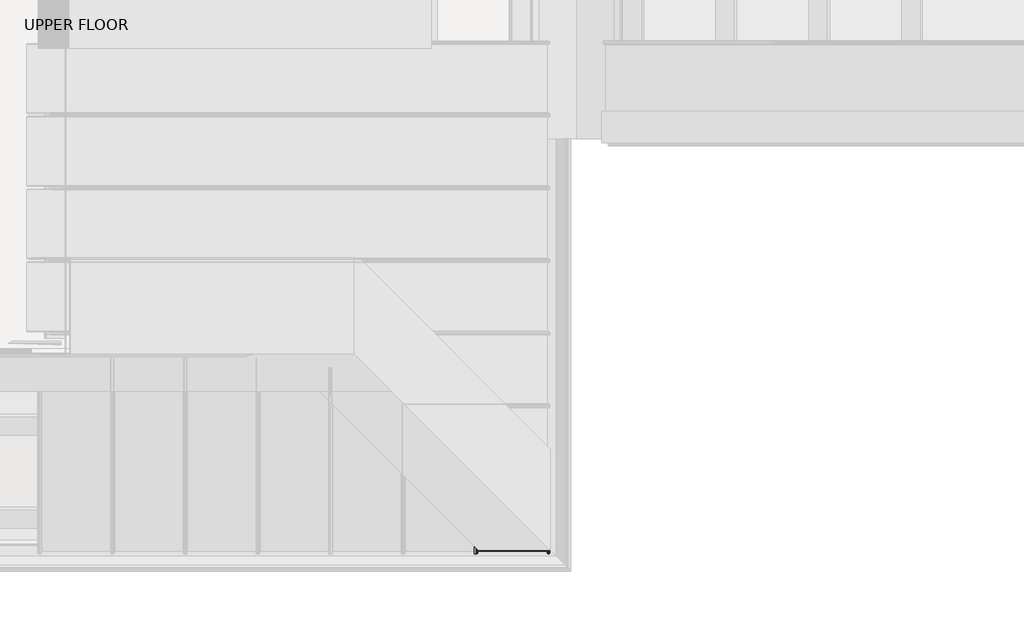
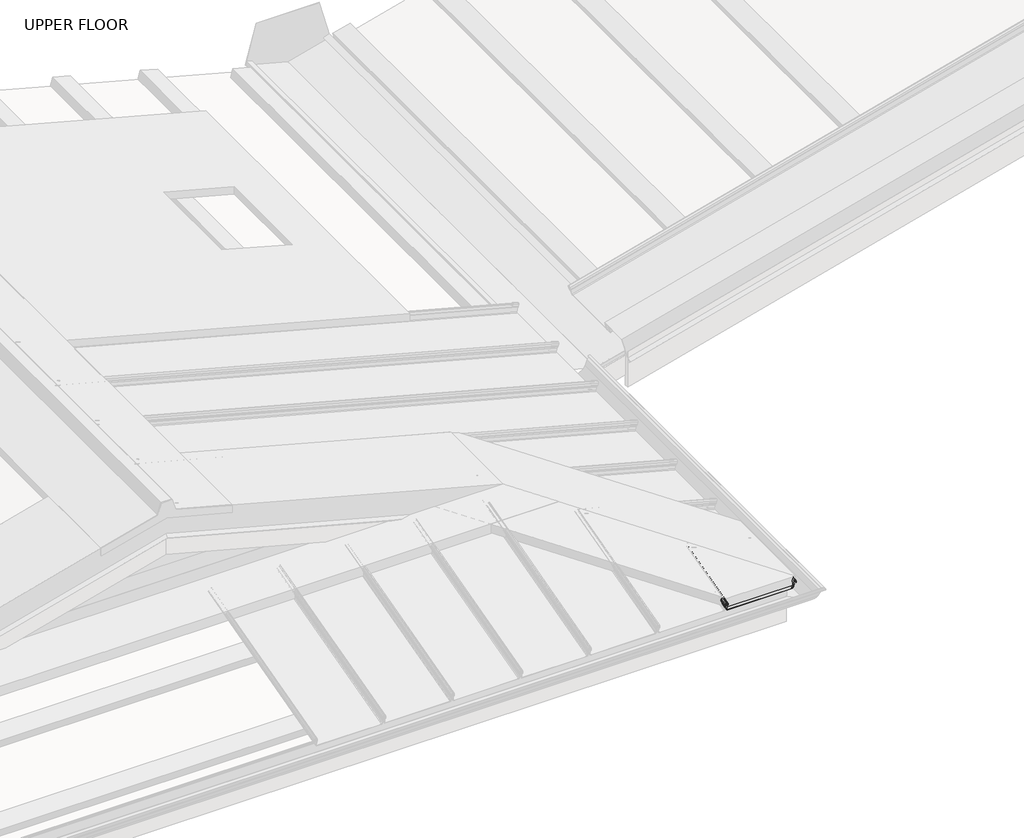
# One storey, part 9 of 15: 1 beam.
"""IFC4 building model written with IfcOpenShell, lengths in millimetres."""

from ifc_helpers import new_model, si_unit, frame, origin, place, context, project, spatial, polyline, circle_curve, ellipse_curve, element, save
from ifc_brep_helpers import plane_surface, cylinder_surface, revolved_surface, advanced_brep

model = new_model("IFC4")

# Units and contexts
model_context = context("Model", 3, world=origin())
ifc_project = project(units=[si_unit("LENGTHUNIT", "METRE", prefix="MILLI")], contexts=[model_context])

# Site, building, storey
site = spatial("IfcSite", under=ifc_project)
building = spatial("IfcBuilding", under=site)
storey = spatial("IfcBuildingStorey", under=building, Name="UPPER FLOOR", Elevation=2700.0)

# Beam
placement = place(None, origin())
element("IfcBeam", 1, at=placement, inside=storey, context=model_context, shape_type="AdvancedBrep", body=[
    advanced_brep(
    [(4588.3493108, -4676.095666, 3282.2551895), (4583.8152854, -4677.0728577, 3285.9021185), (4579.3084709, -4676.1309313, 3282.3868016), (4576.8614715, -4673.1910221, 3271.414911), (4578.5201309, -4672.5557768, 3269.0441433), (4579.6892957, -4672.112927, 3267.3914054), (4578.1987741, -4666.0540531, 3244.7793802), (4574.5043224, -4665.157273, 3241.4325512), (4254.2553696, -4665.157273, 3241.4325512), (4250.5625922, -4666.0550971, 3244.7832762), (4249.093089, -4672.1332034, 3267.4670779), (4249.7210166, -4672.3747897, 3268.3686904), (4251.9326545, -4673.168275, 3271.3300177), (4251.0491157, -4676.0609668, 3282.1256906), (4243.8194638, -4677.7900541, 3288.5787319), (4236.5898118, -4676.0609668, 3282.1256906), (4235.706273, -4673.168275, 3271.3300177), (4237.9179109, -4672.3747897, 3268.3686904), (4238.5458385, -4672.1332034, 3267.4670779), (4238.1541241, -4670.5130082, 3261.420427), (4239.15608, -4670.5130082, 3261.420427), (4239.5634887, -4672.1981177, 3267.7093414), (4238.1580728, -4672.6260652, 3269.3064631), (4236.7036522, -4673.1478782, 3271.2538956), (4237.5933426, -4676.0607105, 3282.1247338), (4243.8194638, -4677.531235, 3287.6128061), (4250.0523198, -4676.0402621, 3282.0484196), (4250.9399185, -4673.1272018, 3271.1767303), (4249.4808547, -4672.6260652, 3269.3064631), (4248.0754388, -4672.1981177, 3267.7093414), (4249.5645443, -4666.0389332, 3244.7229517), (4254.2553696, -4664.898454, 3240.4666254), (4574.5040773, -4664.898454, 3240.4666254), (4579.1967532, -4666.0376071, 3244.7180029), (4580.6874877, -4672.0973465, 3267.3332583), (4578.7839069, -4672.805634, 3269.9766229), (4577.8472636, -4673.1463822, 3271.2483128), (4580.2629487, -4676.0462771, 3282.0708676), (4583.8257944, -4676.8142937, 3284.9371448), (4587.2997886, -4676.1424796, 3282.4299005), (4589.3270395, -4673.2675201, 3271.7004056), (4590.3268994, -4673.315157, 3271.8781888), (4590.3268994, -4658.4752468, 3275.8545308), (4588.3493108, -4656.4976582, 3287.5064598), (4589.3270395, -4657.4753869, 3275.9318949), (4587.2997886, -4655.448136, 3287.9749332), (4583.8257944, -4651.9741418, 3291.5930435), (4580.2629487, -4648.4112961, 3289.4756384), (4577.8472636, -4645.995611, 3278.52334), (4578.7839069, -4646.9322543, 3276.9093741), (4580.6874877, -4648.8358351, 3273.5661614), (4579.1967532, -4647.3451006, 3249.726645), (4574.5040773, -4642.6524247, 3246.427431), (4254.2553696, -4322.403717, 3332.2378136), (4249.5645443, -4317.7128917, 3338.0566332), (4248.0754388, -4316.2237862, 3363.092376), (4249.4808547, -4317.6292021, 3364.4275859), (4250.9399185, -4319.088266, 3366.0411773), (4250.0523198, -4318.2006672, 3377.9312501), (4243.8194638, -4311.9678112, 3385.5652303), (4237.5933426, -4305.74169, 3381.3514162), (4236.7036522, -4304.8519996, 3369.9384788), (4238.1580728, -4306.3064202, 3367.4615162), (4239.5634887, -4307.7118362, 3365.3731462), (4239.15608, -4307.3044274, 3358.7418729), (4238.1541241, -4306.3024715, 3359.0103462), (4238.5458385, -4306.694186, 3365.3861675), (4237.9179109, -4306.0662583, 3366.5207656), (4235.7051439, -4303.8546433, 3370.2873986), (4236.5898118, -4304.7381592, 3381.6213371), (4243.8194638, -4311.9678112, 3386.6005065), (4251.0491157, -4319.1974632, 3377.7469782), (4251.9326545, -4320.0810019, 3365.9394674), (4249.7210166, -4317.8693641, 3363.3581329), (4249.093089, -4317.2414364, 3362.5600403), (4250.5625922, -4318.7109396, 3337.8538626), (4254.2553696, -4322.403717, 3333.2730897), (4574.5043224, -4642.6526698, 3247.4626415), (4578.1987741, -4646.3471215, 3250.0598367), (4579.6892957, -4647.8376431, 3273.8959481), (4578.5201309, -4646.6684783, 3275.980624), (4576.8614715, -4645.0098189, 3278.9660417), (4579.3084709, -4647.4568184, 3290.070007), (4583.8152854, -4651.9636329, 3292.630115)],
    [
        (0, 1, circle_curve(frame((4583.8152854, -4675.8796489, 3281.4490028), z_axis=(0.0, -0.9659258262890683, -0.2588190451025206), x_axis=(-1.0000000000000002, 0.0, 0.0)), 4.6102046)),
        (1, 2, circle_curve(frame((4583.8152854, -4675.8796489, 3281.4490028), z_axis=(0.0, -0.9659258262890683, -0.2588190451025206), x_axis=(-1.0000000000000002, 0.0, 0.0)), 4.6102046)),
        (2, 3),
        (3, 4, circle_curve(frame((4579.2456639, -4673.1453565, 3271.2444845), z_axis=(0.0, -0.9659258262890683, -0.2588190451025206), x_axis=(-1.0000000000000002, 0.0, 0.0)), 2.3907121)),
        (4, 5, circle_curve(frame((4578.0092332, -4672.1406133, 3267.4947319), z_axis=(0.0, 0.9659258262890683, 0.2588190451025206), x_axis=(-1.0000000000000002, 0.0, 0.0)), 1.6834645)),
        (5, 6),
        (6, 7, circle_curve(frame((4574.5062513, -4666.1149033, 3245.0064763), z_axis=(0.0, 0.9659258262890683, 0.2588190451025206), x_axis=(-1.0000000000000002, 0.0, 0.0)), 3.7)),
        (7, 8),
        (8, 9, circle_curve(frame((4254.2553696, -4666.1149035, 3245.0064768), z_axis=(0.0, 0.9659258262890683, 0.2588190451025206), x_axis=(-1.0000000000000002, 0.0, 0.0)), 3.7)),
        (9, 10),
        (10, 11, circle_curve(frame((4250.0150589, -4672.1481352, 3267.522804), z_axis=(0.0, 0.9659258262890683, 0.2588190451025206), x_axis=(-1.0000000000000002, 0.0, 0.0)), 0.9237732)),
        (11, 12, circle_curve(frame((4249.0209943, -4673.108701, 3271.1076846), z_axis=(0.0, -0.9659258262890683, -0.2588190451025206), x_axis=(-1.0000000000000002, 0.0, 0.0)), 2.9207441)),
        (12, 13),
        (13, 14, circle_curve(frame((4243.8194638, -4675.9130447, 3281.5736375), z_axis=(0.0, -0.9659258262890683, -0.2588190451025206), x_axis=(-1.0000000000000002, 0.0, 0.0)), 7.2522073)),
        (14, 15, circle_curve(frame((4243.8194638, -4675.9130447, 3281.5736375), z_axis=(0.0, -0.9659258262890683, -0.2588190451025206), x_axis=(-1.0000000000000002, 0.0, 0.0)), 7.2522073)),
        (15, 16),
        (16, 17, circle_curve(frame((4238.6193548, -4673.1092459, 3271.1097181), z_axis=(0.0, -0.9659258262890683, -0.2588190451025206), x_axis=(-1.0000000000000002, 0.0, 0.0)), 2.9231288)),
        (17, 18, circle_curve(frame((4237.7169165, -4672.164336, 3267.5832662), z_axis=(0.0, 0.9659258262890683, 0.2588190451025206), x_axis=(-1.0000000000000002, 0.0, 0.0)), 0.8376041)),
        (18, 19),
        (19, 20, circle_curve(frame((4238.655102, -4670.5130082, 3261.420427), z_axis=(0.0, -0.9659258262890683, -0.2588190451025206), x_axis=(-1.0000000000000002, 0.0, 0.0)), 0.5009779)),
        (20, 21),
        (21, 22, circle_curve(frame((4237.7131726, -4672.1596269, 3267.5656915), z_axis=(0.0, -0.9659258262890683, -0.2588190451025206), x_axis=(-1.0000000000000002, 0.0, 0.0)), 1.856283)),
        (22, 23, circle_curve(frame((4238.6184225, -4673.108701, 3271.1076846), z_axis=(0.0, 0.9659258262890683, 0.2588190451025206), x_axis=(-1.0000000000000002, 0.0, 0.0)), 1.9207441)),
        (23, 24),
        (24, 25, circle_curve(frame((4243.7424143, -4675.9348975, 3281.6551933), z_axis=(0.0, 0.9659258262890683, 0.2588190451025206), x_axis=(-1.0000000000000002, 0.0, 0.0)), 6.1682558)),
        (25, 26, circle_curve(frame((4243.7402894, -4675.8908732, 3281.4908925), z_axis=(0.0, 0.9659258262890683, 0.2588190451025206), x_axis=(-1.0000000000000002, 0.0, 0.0)), 6.3383658)),
        (26, 27),
        (27, 28, circle_curve(frame((4249.1164737, -4673.0899838, 3271.0378311), z_axis=(0.0, 0.9659258262890683, 0.2588190451025206), x_axis=(-1.0000000000000002, 0.0, 0.0)), 1.8291061)),
        (28, 29, circle_curve(frame((4249.830809, -4672.1805142, 3267.6436441), z_axis=(0.0, -0.9659258262890683, -0.2588190451025206), x_axis=(-1.0000000000000002, 0.0, 0.0)), 1.7566874)),
        (29, 30),
        (30, 31, circle_curve(frame((4254.2553696, -4666.1149035, 3245.0064768), z_axis=(0.0, -0.9659258262890683, -0.2588190451025206), x_axis=(-1.0000000000000002, 0.0, 0.0)), 4.7)),
        (31, 32),
        (32, 33, circle_curve(frame((4574.5040773, -4666.1155033, 3245.0087152), z_axis=(0.0, -0.9659258262890683, -0.2588190451025206), x_axis=(-1.0000000000000002, 0.0, 0.0)), 4.7023174)),
        (33, 34),
        (34, 35, circle_curve(frame((4578.0133759, -4672.141414, 3267.4977204), z_axis=(0.0, -0.9659258262890683, -0.2588190451025206), x_axis=(-1.0000000000000002, 0.0, 0.0)), 2.6795268)),
        (35, 36, circle_curve(frame((4578.9167497, -4673.0867027, 3271.0255856), z_axis=(0.0, 0.9659258262890683, 0.2588190451025206), x_axis=(-1.0000000000000002, 0.0, 0.0)), 1.094061)),
        (36, 37),
        (37, 38, circle_curve(frame((4583.8257944, -4675.8766984, 3281.4379916), z_axis=(0.0, 0.9659258262890683, 0.2588190451025206), x_axis=(-1.0000000000000002, 0.0, 0.0)), 3.6225901)),
        (38, 39, circle_curve(frame((4583.8257944, -4675.8766984, 3281.4379916), z_axis=(0.0, 0.9659258262890683, 0.2588190451025206), x_axis=(-1.0000000000000002, 0.0, 0.0)), 3.6225901)),
        (39, 40),
        (40, 41, circle_curve(frame((4589.8269694, -4673.2913386, 3271.7892972), z_axis=(0.0, -0.9659258262890683, -0.2588190451025206), x_axis=(-1.0000000000000002, 0.0, 0.0)), 0.5083296)),
        (41, 0),
        (41, 42),
        (42, 43),
        (43, 0),
        (40, 44),
        (44, 42, ellipse_curve(frame((4589.8269694, -4657.9753168, 3275.8932128), z_axis=(-0.7071067811865475, -0.7071067811865476, 0.0), x_axis=(-0.6612248329466449, 0.6612248329466448, 0.35434932000691527)), 0.7442462, 0.5083296)),
        (39, 45),
        (45, 44),
        (38, 46),
        (46, 45, ellipse_curve(frame((4583.8257944, -4651.9741418, 3287.8426623), z_axis=(0.7071067811865475, 0.7071067811865476, 0.0), x_axis=(0.6612248329466449, -0.6612248329466448, -0.35434932000691527)), 5.3038399, 3.6225901)),
        (37, 47),
        (47, 46, ellipse_curve(frame((4583.8257944, -4651.9741418, 3287.8426623), z_axis=(0.7071067811865475, 0.7071067811865476, 0.0), x_axis=(0.6612248329466449, -0.6612248329466448, -0.35434932000691527)), 5.3038399, 3.6225901)),
        (36, 48),
        (48, 47),
        (35, 49),
        (49, 48, ellipse_curve(frame((4578.9167497, -4647.0650971, 3277.9980538), z_axis=(0.7071067811865475, 0.7071067811865476, 0.0), x_axis=(0.6612248329466449, -0.6612248329466448, -0.35434932000691527)), 1.6018165, 1.094061)),
        (34, 50),
        (50, 49, ellipse_curve(frame((4578.0133759, -4646.1617233, 3274.4589575), z_axis=(-0.7071067811865475, -0.7071067811865476, 0.0), x_axis=(-0.6612248329466449, 0.6612248329466448, 0.35434932000691527)), 3.9230995, 2.6795268)),
        (33, 51),
        (51, 50),
        (32, 52),
        (52, 51, ellipse_curve(frame((4574.5040773, -4642.6524247, 3251.2956282), z_axis=(-0.7071067811865475, -0.7071067811865476, 0.0), x_axis=(-0.6612248329466449, 0.6612248329466448, 0.35434932000691527)), 6.8846705, 4.7023174)),
        (31, 53),
        (53, 52),
        (30, 54),
        (54, 53, ellipse_curve(frame((4254.2553696, -4322.403717, 3337.1036116), z_axis=(-0.7071067811865475, -0.7071067811865476, 0.0), x_axis=(-0.6612248329466449, 0.6612248329466448, 0.35434932000691527)), 6.8812776, 4.7)),
        (29, 55),
        (55, 54),
        (28, 56),
        (56, 55, ellipse_curve(frame((4249.830809, -4317.9791564, 3362.5516119), z_axis=(-0.7071067811865475, -0.7071067811865476, 0.0), x_axis=(-0.6612248329466449, 0.6612248329466448, 0.35434932000691527)), 2.5719689, 1.7566874)),
        (27, 57),
        (57, 56, ellipse_curve(frame((4249.1164737, -4317.2648212, 3366.3808961), z_axis=(0.7071067811865475, 0.7071067811865476, 0.0), x_axis=(0.6612248329466449, -0.6612248329466448, -0.35434932000691527)), 2.6779972, 1.8291061)),
        (26, 58),
        (58, 57),
        (25, 59),
        (59, 58, ellipse_curve(frame((4243.7402894, -4311.8886368, 3379.0249978), z_axis=(0.7071067811865475, 0.7071067811865476, 0.0), x_axis=(0.6612248329466449, -0.6612248329466448, -0.35434932000691527)), 9.2800116, 6.3383658)),
        (24, 60),
        (60, 59, ellipse_curve(frame((4243.7424143, -4311.8907617, 3379.2005255), z_axis=(0.7071067811865475, 0.7071067811865476, 0.0), x_axis=(0.6612248329466449, -0.6612248329466448, -0.35434932000691527)), 9.0309533, 6.1682558)),
        (23, 61),
        (61, 60),
        (22, 62),
        (62, 61, ellipse_curve(frame((4238.6184225, -4306.7667699, 3369.2687092), z_axis=(0.7071067811865475, 0.7071067811865476, 0.0), x_axis=(0.6612248329466449, -0.6612248329466448, -0.35434932000691527)), 2.8121646, 1.9207441)),
        (21, 63),
        (63, 62, ellipse_curve(frame((4237.7131726, -4305.86152, 3365.7149734), z_axis=(-0.7071067811865475, -0.7071067811865476, 0.0), x_axis=(-0.6612248329466449, 0.6612248329466448, 0.35434932000691527)), 2.7177869, 1.856283)),
        (20, 64),
        (64, 63),
        (19, 65),
        (65, 64, ellipse_curve(frame((4238.655102, -4306.8034494, 3358.8761096), z_axis=(-0.7071067811865475, -0.7071067811865476, 0.0), x_axis=(-0.6612248329466449, 0.6612248329466448, 0.35434932000691527)), 0.7334826, 0.5009779)),
        (18, 66),
        (66, 65),
        (17, 67),
        (67, 66, ellipse_curve(frame((4237.7169165, -4305.865264, 3365.7328068), z_axis=(0.7071067811865475, 0.7071067811865476, 0.0), x_axis=(0.6612248329466449, -0.6612248329466448, -0.35434932000691527)), 1.2263375, 0.8376041)),
        (16, 68),
        (68, 67, ellipse_curve(frame((4238.6193548, -4306.7677022, 3369.2706388), z_axis=(-0.7071067811865475, -0.7071067811865476, 0.0), x_axis=(-0.6612248329466449, 0.6612248329466448, 0.35434932000691527)), 4.2797576, 2.9231288)),
        (15, 69),
        (69, 68),
        (14, 70),
        (70, 69, ellipse_curve(frame((4243.8194638, -4311.9678112, 3379.0924689), z_axis=(-0.7071067811865475, -0.7071067811865476, 0.0), x_axis=(-0.6612248329466449, 0.6612248329466448, 0.35434932000691527)), 10.6179685, 7.2522073)),
        (13, 71),
        (71, 70, ellipse_curve(frame((4243.8194638, -4311.9678112, 3379.0924689), z_axis=(-0.7071067811865475, -0.7071067811865476, 0.0), x_axis=(-0.6612248329466449, 0.6612248329466448, 0.35434932000691527)), 10.6179685, 7.2522073)),
        (12, 72),
        (72, 71),
        (11, 73),
        (73, 72, ellipse_curve(frame((4249.0209943, -4317.1693417, 3366.4813484), z_axis=(-0.7071067811865475, -0.7071067811865476, 0.0), x_axis=(-0.6612248329466449, 0.6612248329466448, 0.35434932000691527)), 4.2762662, 2.9207441)),
        (10, 74),
        (74, 73, ellipse_curve(frame((4250.0150589, -4318.1634063, 3362.3727263), z_axis=(0.7071067811865475, 0.7071067811865476, 0.0), x_axis=(0.6612248329466449, -0.6612248329466448, -0.35434932000691527)), 1.3524978, 0.9237732)),
        (9, 75),
        (75, 74),
        (8, 76),
        (76, 75, ellipse_curve(frame((4254.2553696, -4322.403717, 3337.1036116), z_axis=(0.7071067811865475, 0.7071067811865476, 0.0), x_axis=(0.6612248329466449, -0.6612248329466448, -0.35434932000691527)), 5.417176, 3.7)),
        (7, 77),
        (77, 76),
        (6, 78),
        (78, 77, ellipse_curve(frame((4574.5062513, -4642.6545987, 3251.292646), z_axis=(0.7071067811865475, 0.7071067811865476, 0.0), x_axis=(0.6612248329466449, -0.6612248329466448, -0.35434932000691527)), 5.417176, 3.7)),
        (5, 79),
        (79, 78),
        (4, 80),
        (80, 79, ellipse_curve(frame((4578.0092332, -4646.1575806, 3274.4568645), z_axis=(0.7071067811865475, 0.7071067811865476, 0.0), x_axis=(0.6612248329466449, -0.6612248329466448, -0.35434932000691527)), 2.4647631, 1.6834645)),
        (3, 81),
        (81, 80, ellipse_curve(frame((4579.2456639, -4647.3940113, 3278.1445367), z_axis=(-0.7071067811865475, -0.7071067811865476, 0.0), x_axis=(-0.6612248329466449, 0.6612248329466448, 0.35434932000691527)), 3.5002454, 2.3907121)),
        (2, 82),
        (82, 81),
        (1, 83),
        (83, 82, ellipse_curve(frame((4583.8152854, -4651.9636329, 3287.85728), z_axis=(-0.7071067811865475, -0.7071067811865476, 0.0), x_axis=(-0.6612248329466449, 0.6612248329466448, 0.35434932000691527)), 6.749808, 4.6102046)),
        (43, 83, ellipse_curve(frame((4583.8152854, -4651.9636329, 3287.85728), z_axis=(-0.7071067811865475, -0.7071067811865476, 0.0), x_axis=(-0.6612248329466449, 0.6612248329466448, 0.35434932000691527)), 6.749808, 4.6102046)),
    ],
    [
        plane_surface(frame((4590.3268994, -4673.315157, 3271.8781888), z_axis=(0.0, -0.9659258262890685, -0.25881904510252035), x_axis=(-0.18103878268248824, -0.25454230822568763, 0.9499648269741264))),
        plane_surface(frame((4588.3493108, -3763.2953086, 3526.8393081), z_axis=(0.9834759575936989, -0.0468562848604057, 0.17487003575294915), x_axis=(0.0, -0.9659258262890683, -0.2588190451025206))),
        cylinder_surface(frame((4589.8269694, -4673.2913386, 3271.7892972), z_axis=(0.0, 0.9659258262890683, 0.2588190451025206), x_axis=(-1.0000000000000002, 0.0, 0.0)), 0.5083296),
        plane_surface(frame((4589.3270395, -3760.4671627, 3516.2845242), z_axis=(-0.9837509798367423, 0.046467937494472866, -0.17342070365230228), x_axis=(0.0, -0.9659258262890683, -0.2588190451025206))),
        revolved_surface(polyline([(4580.2032043, -4675.876698424135, 3281.437991593533), (4580.2032043, -4648.232184649901, 3288.84531673449)]), (4583.8257944, -4675.8766984, 3281.4379916), (0.0, -0.9659258262890683, -0.2588190451025206)),
        revolved_surface(polyline([(4580.2032043, -4675.876698481071, 3281.437991578277), (4580.2032043, -4648.232184649901, 3288.84531673449)]), (4583.8257944, -4675.8766984, 3281.4379916), (0.0, -0.9659258262890683, -0.2588190451025206)),
        plane_surface(frame((4580.2629487, -3763.2459197, 3526.6549862), z_axis=(0.977537868063593, 0.05454866443059217, -0.20357838714000076), x_axis=(0.0, -0.9659258262890683, -0.2588190451025206))),
        revolved_surface(polyline([(4577.8226887, -4673.086702707796, 3271.0255855979112), (4577.8226887, -4645.934985930502, 3278.3008661815056)]), (4578.9167497, -4673.0867027, 3271.0255856), (0.0, -0.9659258262890683, -0.2588190451025206)),
        cylinder_surface(frame((4578.0133759, -4672.141414, 3267.4977204), z_axis=(0.0, 0.9659258262890683, 0.2588190451025206), x_axis=(-1.0000000000000002, 0.0, 0.0)), 2.6795268),
        plane_surface(frame((4580.6874877, -3759.2969891, 3511.9173769), z_axis=(0.9979791357337671, 0.016445999670391176, -0.06137730635116645), x_axis=(0.0, -0.9659258262890683, -0.2588190451025206))),
        cylinder_surface(frame((4574.5040773, -4666.1155033, 3245.0087152), z_axis=(0.0, 0.9659258262890683, 0.2588190451025206), x_axis=(-1.0000000000000002, 0.0, 0.0)), 4.7023174),
        plane_surface(frame((4574.5040773, -3752.0980966, 3485.050744), z_axis=(0.0, 0.2588190451025206, -0.9659258262890683), x_axis=(0.0, -0.9659258262890683, -0.2588190451025206))),
        cylinder_surface(frame((4254.2553696, -4666.1149035, 3245.0064768), z_axis=(0.0, 0.9659258262890683, 0.2588190451025206), x_axis=(-1.0000000000000002, 0.0, 0.0)), 4.7),
        plane_surface(frame((4249.5645443, -3753.2385757, 3489.3070703), z_axis=(-0.9980479368039751, 0.016163898662687713, -0.060324491057539696), x_axis=(0.0, -0.9659258262890683, -0.2588190451025206))),
        cylinder_surface(frame((4249.830809, -4672.1805142, 3267.6436441), z_axis=(0.0, 0.9659258262890683, 0.2588190451025206), x_axis=(-1.0000000000000002, 0.0, 0.0)), 1.7566874),
        revolved_surface(polyline([(4247.2873676, -4673.089983866739, 3271.037831082117), (4247.2873676, -4315.375444629284, 3366.887152991664)]), (4249.1164737, -4673.0899838, 3271.0378311), (0.0, -0.9659258262890683, -0.2588190451025206)),
        plane_surface(frame((4250.9399185, -3760.3268444, 3515.7608489), z_axis=(-0.9969048840808035, 0.02034760881392576, -0.07593830990610176), x_axis=(0.0, -0.9659258262890683, -0.2588190451025206))),
        revolved_surface(polyline([(4237.4019235999995, -4675.8908732, 3281.4908925), (4237.4019235999995, -4305.341416951658, 3380.7793200575347)]), (4243.7402894, -4675.8908732, 3281.4908925), (0.0, -0.9659258262890683, -0.2588190451025206)),
        revolved_surface(polyline([(4237.5741585, -4675.934897502063, 3281.655193299447), (4237.5741585, -4305.519257091974, 3380.9077650111876)]), (4243.7424143, -4675.9348975, 3281.6551933), (0.0, -0.9659258262890683, -0.2588190451025206)),
        plane_surface(frame((4237.5933426, -3763.2603531, 3526.7088524), z_axis=(0.9968898625471323, 0.020396848881732668, -0.07612207634093635), x_axis=(0.0, -0.9659258262890683, -0.2588190451025206))),
        revolved_surface(polyline([(4236.6976784, -4673.108701075225, 3271.107684579844), (4236.6976784, -4304.782735753402, 3369.8003295392396)]), (4238.6184225, -4673.108701, 3271.1076846), (0.0, -0.9659258262890683, -0.2588190451025206)),
        cylinder_surface(frame((4237.7131726, -4672.1596269, 3267.5656915), z_axis=(0.0, 0.9659258262890683, 0.2588190451025206), x_axis=(-1.0000000000000002, 0.0, 0.0)), 1.856283),
        plane_surface(frame((4239.5634887, -3759.3977603, 3512.29346), z_axis=(0.9980479368039776, 0.016163898662674224, -0.06032449105750041), x_axis=(0.0, -0.9659258262890683, -0.2588190451025206))),
        cylinder_surface(frame((4238.655102, -4670.5130082, 3261.420427), z_axis=(0.0, 0.9659258262890683, 0.2588190451025206), x_axis=(-1.0000000000000002, 0.0, 0.0)), 0.5009779),
        plane_surface(frame((4238.1541241, -3757.7126508, 3506.0045456), z_axis=(-0.9980479368039783, -0.016163898662671365, 0.060324491057489736), x_axis=(0.0, -0.9659258262890683, -0.2588190451025206))),
        revolved_surface(polyline([(4236.879312399999, -4672.164336, 3267.5832662), (4236.879312399999, -4305.000060191691, 3365.9646373923943)]), (4237.7169165, -4672.164336, 3267.5832662), (0.0, -0.9659258262890683, -0.2588190451025206)),
        cylinder_surface(frame((4238.6193548, -4673.1092459, 3271.1097181), z_axis=(0.0, 0.9659258262890683, 0.2588190451025206), x_axis=(-1.0000000000000002, 0.0, 0.0)), 2.9231288),
        plane_surface(frame((4235.706273, -3760.3679176, 3515.9141363), z_axis=(-0.996889862547133, -0.020396848881731024, 0.07612207634093021), x_axis=(0.0, -0.9659258262890683, -0.2588190451025206))),
        cylinder_surface(frame((4243.8194638, -4675.9130447, 3281.5736375), z_axis=(0.0, 0.9659258262890683, 0.2588190451025206), x_axis=(-1.0000000000000002, 0.0, 0.0)), 7.2522073),
        plane_surface(frame((4251.0491157, -3763.2606094, 3526.7098092), z_axis=(0.9968898625471304, -0.02039684888174122, 0.0761220763409572), x_axis=(0.0, -0.9659258262890683, -0.2588190451025206))),
        cylinder_surface(frame((4249.0209943, -4673.108701, 3271.1076846), z_axis=(0.0, 0.9659258262890683, 0.2588190451025206), x_axis=(-1.0000000000000002, 0.0, 0.0)), 2.9207441),
        revolved_surface(polyline([(4249.0912857, -4672.1481352, 3267.522804), (4249.0912857, -4317.209194069093, 3362.6284066383846)]), (4250.0150589, -4672.1481352, 3267.522804), (0.0, -0.9659258262890683, -0.2588190451025206)),
        plane_surface(frame((4249.093089, -3759.332846, 3512.0511965), z_axis=(0.9980479368039753, -0.016163898662686728, 0.06032449105753602), x_axis=(0.0, -0.9659258262890683, -0.2588190451025206))),
        revolved_surface(polyline([(4250.555369600001, -4666.114903519146, 3245.00647679487), (4250.555369600001, -4318.581799138417, 3338.127691456767)]), (4254.2553696, -4666.1149035, 3245.0064768), (0.0, -0.9659258262890683, -0.2588190451025206)),
        plane_surface(frame((4254.2553696, -3752.3569156, 3486.0166698), z_axis=(0.0, -0.2588190451025206, 0.9659258262890683), x_axis=(0.0, -0.9659258262890683, -0.2588190451025206))),
        revolved_surface(polyline([(4570.8062513, -4666.114903341383, 3245.0064762889115), (4570.8062513, -4638.832680818302, 3252.316725781697)]), (4574.5062513, -4666.1149033, 3245.0064763), (0.0, -0.9659258262890683, -0.2588190451025206)),
        plane_surface(frame((4578.1987741, -3753.2536957, 3489.3634989), z_axis=(-0.9979791357337673, -0.016445999670390392, 0.06137730635116353), x_axis=(0.0, -0.9659258262890683, -0.2588190451025206))),
        revolved_surface(polyline([(4576.3257687000005, -4672.1406133, 3267.4947319), (4576.3257687000005, -4644.41864464711, 3274.9228110131426)]), (4578.0092332, -4672.1406133, 3267.4947319), (0.0, -0.9659258262890683, -0.2588190451025206)),
        cylinder_surface(frame((4579.2456639, -4673.1453565, 3271.2444845), z_axis=(0.0, 0.9659258262890683, 0.2588190451025206), x_axis=(-1.0000000000000002, 0.0, 0.0)), 2.3907121),
        plane_surface(frame((4576.8614715, -3760.3906647, 3515.9990297), z_axis=(-0.977573645665627, -0.05450569771259388, 0.20341803316539667), x_axis=(0.0, -0.9659258262890683, -0.2588190451025206))),
        cylinder_surface(frame((4583.8152854, -4675.8796489, 3281.4490028), z_axis=(0.0, 0.9659258262890683, 0.2588190451025206), x_axis=(-1.0000000000000002, 0.0, 0.0)), 4.6102046),
        plane_surface(frame((5715.1944205, -5783.3427679, 4168.077193), z_axis=(0.7071067811865475, 0.7071067811865476, 0.0), x_axis=(0.0, 0.0, -1.0))),
    ],
    [
        (0, [[1, 2, 3, 4, 5, 6, 7, 8, 9, 10, 11, 12, 13, 14, 15, 16, 17, 18, 19, 20, 21, 22, 23, 24, 25, 26, 27, 28, 29, 30, 31, 32, 33, 34, 35, 36, 37, 38, 39, 40, 41, 42]]),
        (1, [[-42, 43, 44, 45]]),
        (2, [[-41, 46, 47, -43]]),
        (3, [[-40, 48, 49, -46]]),
        (4, [[-39, 50, 51, -48]]),
        (5, [[-38, 52, 53, -50]]),
        (6, [[-37, 54, 55, -52]]),
        (7, [[-36, 56, 57, -54]]),
        (8, [[-35, 58, 59, -56]]),
        (9, [[-34, 60, 61, -58]]),
        (10, [[-33, 62, 63, -60]]),
        (11, [[-32, 64, 65, -62]]),
        (12, [[-31, 66, 67, -64]]),
        (13, [[-30, 68, 69, -66]]),
        (14, [[-29, 70, 71, -68]]),
        (15, [[-28, 72, 73, -70]]),
        (16, [[-27, 74, 75, -72]]),
        (17, [[-26, 76, 77, -74]]),
        (18, [[-25, 78, 79, -76]]),
        (19, [[-24, 80, 81, -78]]),
        (20, [[-23, 82, 83, -80]]),
        (21, [[-22, 84, 85, -82]]),
        (22, [[-21, 86, 87, -84]]),
        (23, [[-20, 88, 89, -86]]),
        (24, [[-19, 90, 91, -88]]),
        (25, [[-18, 92, 93, -90]]),
        (26, [[-17, 94, 95, -92]]),
        (27, [[-16, 96, 97, -94]]),
        (28, [[-15, 98, 99, -96]]),
        (28, [[-14, 100, 101, -98]]),
        (29, [[-13, 102, 103, -100]]),
        (30, [[-12, 104, 105, -102]]),
        (31, [[-11, 106, 107, -104]]),
        (32, [[-10, 108, 109, -106]]),
        (33, [[-9, 110, 111, -108]]),
        (34, [[-8, 112, 113, -110]]),
        (35, [[-7, 114, 115, -112]]),
        (36, [[-6, 116, 117, -114]]),
        (37, [[-5, 118, 119, -116]]),
        (38, [[-4, 120, 121, -118]]),
        (39, [[-3, 122, 123, -120]]),
        (40, [[-2, 124, 125, -122]]),
        (40, [[-1, -45, 126, -124]]),
        (41, [[-44, -47, -49, -51, -53, -55, -57, -59, -61, -63, -65, -67, -69, -71, -73, -75, -77, -79, -81, -83, -85, -87, -89, -91, -93, -95, -97, -99, -101, -103, -105, -107, -109, -111, -113, -115, -117, -119, -121, -123, -125, -126]]),
    ],
),
])

save(model, "model.ifc")
